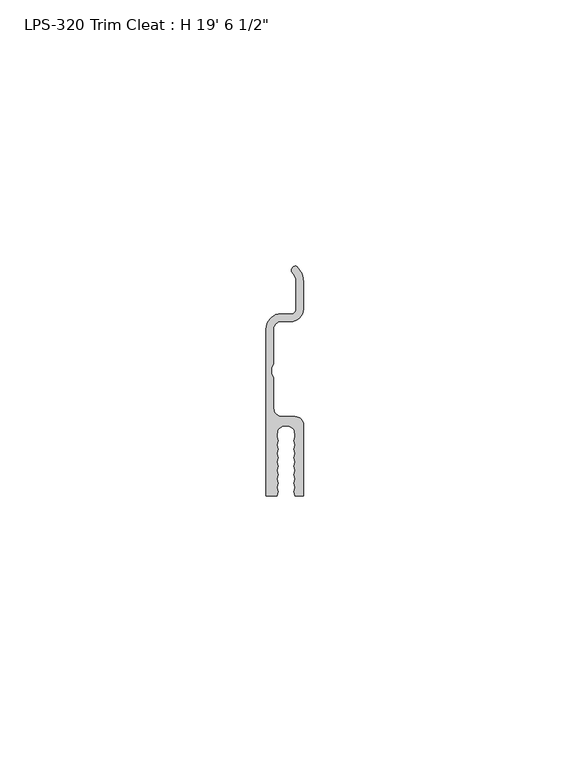
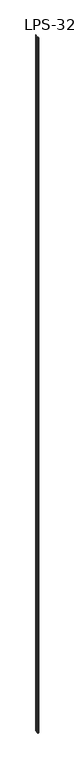
"""IFC4 building model written with IfcOpenShell, lengths in millimetres: proxy geometry."""

from ifc_helpers import new_model, si_unit, point, frame_2d, origin, origin_with_axes, place, context, project, spatial, polyline, circle_curve, trimmed, segment, composite_curve, outline, extrude, source, transform, mapped, element, save


def proxy_1e34b19c(model_context):
    return source(origin(), model_context, "Body", "SweptSolid", [
        extrude(outline(composite_curve([segment(trimmed(circle_curve(frame_2d((-0.5264529, -5.112905)), 1.5875), [point((-2.1139529, -5.112905))], [point((-0.5264529, -6.700405))], True, "CARTESIAN"), True, "CONTINUOUS"), segment(polyline([(-0.5264529, -6.700405), (1.9234529, -6.700405)]), True, "CONTINUOUS"), segment(trimmed(circle_curve(frame_2d((1.9234529, -8.287905)), 1.5875), [point((1.9234529, -6.700405))], [point((3.5109529, -8.287905))], False, "CARTESIAN"), True, "CONTINUOUS"), segment(polyline([(3.5109529, -8.287905), (3.5109529, -21.5613778), (1.8781256, -21.5613778), (1.7329529, -20.7690222), (1.8781256, -19.9766667), (1.7329529, -19.1843112), (1.8781256, -18.3919557), (1.7329529, -17.5996002), (1.8781256, -16.8072447), (1.7329529, -16.0148891), (1.8781256, -15.2225336), (1.7329529, -14.4301781), (1.8781256, -13.6378226), (1.7329529, -12.8454671), (1.8781256, -12.0531116), (1.7329529, -11.260756), (1.8781256, -10.4684005), (1.7947896, -9.3385388)]), True, "CONTINUOUS"), segment(trimmed(circle_curve(frame_2d((0.2051903, -10.224684)), 1.8199119), [point((1.7947896, -9.3385388))], [point((-1.3787348, -9.3284358))], True, "CARTESIAN"), True, "CONTINUOUS"), segment(polyline([(-1.3787348, -9.3284358), (-1.4602197, -10.4684005), (-1.315047, -11.260756), (-1.4602197, -12.0531116), (-1.315047, -12.8454671), (-1.4602197, -13.6378226), (-1.315047, -14.4301781), (-1.4602197, -15.2225336), (-1.315047, -16.0148891), (-1.4602197, -16.8072447), (-1.315047, -17.5996002), (-1.4602197, -18.3919557), (-1.315047, -19.1843112), (-1.4602197, -19.9766667), (-1.315047, -20.7690222), (-1.4602197, -21.5613778), (-3.5109529, -21.5613778), (-3.5109529, 9.7115431)]), True, "CONTINUOUS"), segment(trimmed(circle_curve(frame_2d((-0.5264529, 9.7115431)), 2.9845), [point((-3.5109529, 9.7115431))], [point((-1.9760611, 12.3203506))], False, "CARTESIAN"), True, "CONTINUOUS"), segment(trimmed(circle_curve(frame_2d((-1.2210311, 10.9615505)), 1.55448), [point((-1.9760611, 12.3203506))], [point((-1.2210311, 12.5160305))], False, "CARTESIAN"), True, "CONTINUOUS"), segment(polyline([(-1.2210311, 12.5160305), (1.0659086, 12.5160305)]), True, "CONTINUOUS"), segment(trimmed(circle_curve(frame_2d((1.041874, 13.5898795)), 1.0741179), [point((1.0659086, 12.5160305))], [point((2.1139529, 13.523728))], True, "CARTESIAN"), True, "CONTINUOUS"), segment(polyline([(2.1139529, 13.523728), (2.1139529, 18.5410704)]), True, "CONTINUOUS"), segment(trimmed(circle_curve(frame_2d((-0.5911471, 18.5410704)), 2.7051), [point((2.1139529, 18.5410704))], [point((1.2367952, 20.5351098))], True, "CARTESIAN"), True, "CONTINUOUS"), segment(trimmed(circle_curve(frame_2d((1.9778743, 20.7675473)), 0.7766759), [point((1.2367952, 20.5351098))], [point((2.25856, 21.4917303))], False, "CARTESIAN"), True, "CONTINUOUS"), segment(trimmed(circle_curve(frame_2d((-0.5911471, 18.5410704)), 4.1021), [point((2.25856, 21.4917303))], [point((3.5109529, 18.5410704))], False, "CARTESIAN"), True, "CONTINUOUS"), segment(polyline([(3.5109529, 18.5410704), (3.5109529, 13.4895157)]), True, "CONTINUOUS"), segment(trimmed(circle_curve(frame_2d((1.041874, 13.5898795)), 2.4711179), [point((3.5109529, 13.4895157))], [point((1.0783304, 11.1190305))], False, "CARTESIAN"), True, "CONTINUOUS"), segment(polyline([(1.0783304, 11.1190305), (-1.0293528, 11.1190305)]), True, "CONTINUOUS"), segment(trimmed(circle_curve(frame_2d((-0.6584036, 9.7115431)), 1.4555494), [point((-1.0293528, 11.1190305))], [point((-2.1139529, 9.7115431))], True, "CARTESIAN"), True, "CONTINUOUS"), segment(polyline([(-2.1139529, 9.7115431), (-2.1139529, 3.171127), (-2.5000324, 2.445017), (-2.5000324, 1.357237), (-2.1139529, 0.631127), (-2.1139529, -5.112905)]), True, "CONTINUOUS")], self_intersect=False)), origin_with_axes(), (0.0, 0.0, 1.0), 5956.3),
    ])


if __name__ == "__main__":
    model = new_model("IFC4")
    model_context = context("Model", 3, world=origin())
    ifc_project = project(units=[si_unit("LENGTHUNIT", "METRE", prefix="MILLI")], contexts=[model_context])
    site = spatial("IfcSite", under=ifc_project)
    building = spatial("IfcBuilding", under=site)
    placement = place(None, origin())
    proxy_shape = proxy_1e34b19c(model_context)
    element("IfcBuildingElementProxy", 1, Name="LPS-320 Trim Cleat : H 19' 6 1/2\"", ObjectType="LPS-320 Trim Cleat : H 19' 6 1/2\"", at=placement, inside=building, context=model_context, shape_type="MappedRepresentation", body=[
        mapped(proxy_shape, transform((0.0, 0.0, 0.0), x_axis=(1.0, 0.0, 0.0), y_axis=(0.0, 1.0, 0.0), z_axis=(0.0, 0.0, 1.0))),
    ])
    save(model, "model.ifc")
